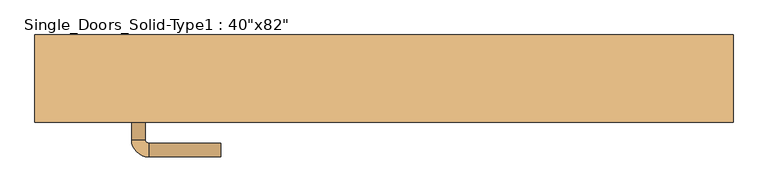
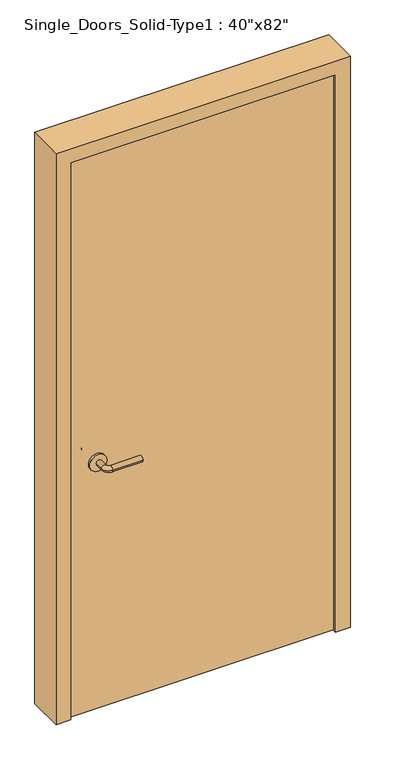
"""IFC4 building model written with IfcOpenShell, lengths in millimetres: door geometry."""

import ifcopenshell
import ifcopenshell.guid

model = None  # the IFC model being written
_history = None  # IfcOwnerHistory: only IFC2X3 demands one
_inside = {}  # id of a spatial element -> (the spatial element, [elements in it])
_under = {}  # id of a project, library or spatial element -> (it, [spatial elements below it])
_declared = {}  # id of a project -> (the project, [libraries it declares])
_typed = {}  # id of a type object -> (the type object, [elements of that type])
_made_of = {}  # id of a material, layer set ... -> (it, [elements and type objects made of it])


def new_model(schema):
    """Start an empty IFC model of exactly this schema.

    Asked for "IFC4X3", IfcOpenShell would pick the latest addendum, in which some entities
    have other attributes; the version numbers below select the first issue.
    IFC2X3 requires an IfcOwnerHistory on every rooted entity: one is made here for all.
    """
    global model, _history
    if schema == "IFC4X3":
        model = ifcopenshell.file(schema_version=(4, 3, 0, 0))
    else:
        model = ifcopenshell.file(schema=schema)
    _inside.clear()
    _under.clear()
    _declared.clear()
    _typed.clear()
    _made_of.clear()
    _history = None
    if model.schema == "IFC2X3":
        org = make("IfcOrganization", Name="unknown")
        user = make(
            "IfcPersonAndOrganization",
            ThePerson=make("IfcPerson", FamilyName="unknown"),
            TheOrganization=org,
        )
        app = make(
            "IfcApplication",
            ApplicationDeveloper=org,
            Version="unknown",
            ApplicationFullName="unknown",
            ApplicationIdentifier="unknown",
        )
        _history = make(
            "IfcOwnerHistory",
            OwningUser=user,
            OwningApplication=app,
            ChangeAction="ADDED",
            CreationDate=0,
        )
    return model


def make(cls, **values):
    """One entity of the class cls with the attributes given. An attribute that is None is left unset."""
    return model.create_entity(
        cls, **{name: value for name, value in values.items() if value is not None}
    )


def rooted(cls, **values):
    """An entity with a GlobalId (a new one), such as an element, a storey or a relation."""
    return make(cls, GlobalId=ifcopenshell.guid.new(), OwnerHistory=_history, **values)


def si_unit(unit_type, name, prefix=None):
    """IfcSIUnit, for example si_unit("LENGTHUNIT", "METRE", prefix="MILLI")."""
    return make("IfcSIUnit", UnitType=unit_type, Prefix=prefix, Name=name)


def assignment(units):
    """IfcUnitAssignment: the units of a project."""
    return None if units is None else make("IfcUnitAssignment", Units=units)


def point(xyz):
    """IfcCartesianPoint."""
    return None if xyz is None else make("IfcCartesianPoint", Coordinates=xyz)


def direction(xyz):
    """IfcDirection."""
    return None if xyz is None else make("IfcDirection", DirectionRatios=xyz)


def frame(location, z_axis=None, x_axis=None):
    """IfcAxis2Placement3D, a coordinate frame: its origin and axes. An axis left out is left unset."""
    return make(
        "IfcAxis2Placement3D",
        Location=point(location),
        Axis=direction(z_axis),
        RefDirection=direction(x_axis),
    )


def frame_2d(location, x_axis=None):
    """IfcAxis2Placement2D, a coordinate frame in the plane: its origin and x axis."""
    return make(
        "IfcAxis2Placement2D", Location=point(location), RefDirection=direction(x_axis)
    )


def origin():
    """The frame at (0, 0, 0) with its axes left unset."""
    return frame((0.0, 0.0, 0.0))


def origin_with_axes():
    """The frame at (0, 0, 0) with the z axis (0, 0, 1) and the x axis (1, 0, 0) written out."""
    return frame((0.0, 0.0, 0.0), z_axis=(0.0, 0.0, 1.0), x_axis=(1.0, 0.0, 0.0))


def place(relative_to, where):
    """IfcLocalPlacement: puts the frame where relative to a parent placement (None: the world)."""
    return make(
        "IfcLocalPlacement", PlacementRelTo=relative_to, RelativePlacement=where
    )


def context(
    kind, dimensions, precision=None, world=None, true_north=None, identifier=None
):
    """IfcGeometricRepresentationContext, for example the 3D "Model" context."""
    return make(
        "IfcGeometricRepresentationContext",
        ContextIdentifier=identifier,
        ContextType=kind,
        CoordinateSpaceDimension=dimensions,
        Precision=precision,
        WorldCoordinateSystem=world,
        TrueNorth=true_north,
    )


def project(units=None, contexts=None):
    """IfcProject with its units and contexts."""
    return rooted(
        "IfcProject",
        Name="project",
        RepresentationContexts=contexts,
        UnitsInContext=assignment(units),
    )


def spatial(cls, under=None, at=None, **own):
    """A site, building, storey or space (cls), placed at a placement, below another one or the project."""
    s = rooted(cls, ObjectPlacement=at, **own)
    if under is not None:
        _under.setdefault(under.id(), (under, []))[1].append(s)
    return s


def polyline(points):
    """IfcPolyline through the points."""
    return make("IfcPolyline", Points=[point(p) for p in points])


def circle_curve(where, radius):
    """IfcCircle in the frame where."""
    return make("IfcCircle", Position=where, Radius=radius)


def ellipse_curve(where, semi_axis1, semi_axis2):
    """IfcEllipse in the frame where."""
    return make(
        "IfcEllipse", Position=where, SemiAxis1=semi_axis1, SemiAxis2=semi_axis2
    )


def trimmed(basis, trim1, trim2, sense, master):
    """IfcTrimmedCurve: the piece of a basis curve between two trims."""
    return make(
        "IfcTrimmedCurve",
        BasisCurve=basis,
        Trim1=trim1,
        Trim2=trim2,
        SenseAgreement=sense,
        MasterRepresentation=master,
    )


def segment(curve, same_sense, transition):
    """IfcCompositeCurveSegment."""
    return make(
        "IfcCompositeCurveSegment",
        Transition=transition,
        SameSense=same_sense,
        ParentCurve=curve,
    )


def composite_curve(segments, self_intersect=None):
    """IfcCompositeCurve: segments joined end to end."""
    return make("IfcCompositeCurve", Segments=segments, SelfIntersect=self_intersect)


def outline(outer, holes=None, kind="AREA"):
    """IfcArbitraryClosedProfileDef: a profile drawn as a closed curve; with holes, ...WithVoids."""
    if holes is None:
        return make("IfcArbitraryClosedProfileDef", ProfileType=kind, OuterCurve=outer)
    return make(
        "IfcArbitraryProfileDefWithVoids",
        ProfileType=kind,
        OuterCurve=outer,
        InnerCurves=holes,
    )


def extrude(swept, where, along, depth):
    """IfcExtrudedAreaSolid: the profile swept, set in the frame where, extruded along a direction by depth."""
    return make(
        "IfcExtrudedAreaSolid",
        SweptArea=swept,
        Position=where,
        ExtrudedDirection=direction(along),
        Depth=depth,
    )


def faces_of(points, faces, orient=None, outer=None):
    """IfcFace entities. A face is a list of loops; a loop is a list of indices into points, from 0.

    orient and outer hold one flag for each loop. By default every Orientation is true, the
    first loop of a face is its IfcFaceOuterBound and the others are IfcFaceBound.
    """
    made = []
    for i, loops in enumerate(faces):
        bounds = []
        for j, loop in enumerate(loops):
            is_outer = j == 0 if outer is None else outer[i][j]
            bounds.append(
                make(
                    "IfcFaceOuterBound" if is_outer else "IfcFaceBound",
                    Bound=make("IfcPolyLoop", Polygon=[points[k] for k in loop]),
                    Orientation=True if orient is None else orient[i][j],
                )
            )
        made.append(make("IfcFace", Bounds=bounds))
    return made


def faceted_brep(points, faces, orient=None, outer=None, voids=None):
    """IfcFacetedBrep: a solid bounded by flat faces; with voids (closed shells), ...WithVoids."""
    shared = [point(p) for p in points]
    hull = make("IfcClosedShell", CfsFaces=faces_of(shared, faces, orient, outer))
    if voids is None:
        return make("IfcFacetedBrep", Outer=hull)
    return make(
        "IfcFacetedBrepWithVoids",
        Outer=hull,
        Voids=[
            make(cls, CfsFaces=faces_of(shared, fs, o, b)) for cls, fs, o, b in voids
        ],
    )


def shape(context_of_items, identifier, shape_type, items):
    """IfcShapeRepresentation: the items that make up one representation, for example the "Body"."""
    return make(
        "IfcShapeRepresentation",
        ContextOfItems=context_of_items,
        RepresentationIdentifier=identifier,
        RepresentationType=shape_type,
        Items=items,
    )


def source(mapping_origin, context_of_items, identifier, shape_type, items):
    """IfcRepresentationMap: a shape defined once, which mapped items show again and again."""
    return make(
        "IfcRepresentationMap",
        MappingOrigin=mapping_origin,
        MappedRepresentation=shape(context_of_items, identifier, shape_type, items),
    )


def transform(
    local_origin,
    x_axis=None,
    y_axis=None,
    z_axis=None,
    scale=None,
    scale2=None,
    scale3=None,
    uniform=True,
):
    """IfcCartesianTransformationOperator3D, or its non-uniform kind. x_axis, y_axis, z_axis: its Axis1, 2, 3."""
    if uniform:
        return make(
            "IfcCartesianTransformationOperator3D",
            Axis1=direction(x_axis),
            Axis2=direction(y_axis),
            LocalOrigin=point(local_origin),
            Scale=scale,
            Axis3=direction(z_axis),
        )
    return make(
        "IfcCartesianTransformationOperator3DnonUniform",
        Axis1=direction(x_axis),
        Axis2=direction(y_axis),
        LocalOrigin=point(local_origin),
        Scale=scale,
        Axis3=direction(z_axis),
        Scale2=scale2,
        Scale3=scale3,
    )


def mapped(mapping_source, mapping_target):
    """IfcMappedItem: shows the shape of a source again, moved by a transform."""
    return make(
        "IfcMappedItem", MappingSource=mapping_source, MappingTarget=mapping_target
    )


def made_of(thing, what):
    """Note that an element or type object is made of a material, layer set ...; save() writes the relation."""
    if what is not None:
        _made_of.setdefault(what.id(), (what, []))[1].append(thing)
    return thing


def element(
    cls,
    number,
    at=None,
    inside=None,
    cuts=None,
    type_object=None,
    material=None,
    context=None,
    identifier="Body",
    shape_type=None,
    held_by="IfcProductDefinitionShape",
    body=None,
    shapes=None,
    **own,
):
    """One element of the class cls, such as IfcWall. Its Tag is "e" and its number.

    at: its placement. inside: the storey or other place that contains it. cuts: it is an
    opening in that element (IfcRelVoidsElement). A single representation is given by context,
    identifier, shape_type and body (its items); several are given by shapes. held_by: the class
    of the entity that holds the representations. save() writes the other relations.
    """
    e = rooted(cls, Tag="e%d" % number, ObjectPlacement=at, **own)
    if body is not None:
        shapes = [shape(context, identifier, shape_type, body)]
    if shapes is not None:
        e.Representation = make(held_by, Representations=shapes)
    if inside is not None:
        _inside.setdefault(inside.id(), (inside, []))[1].append(e)
    if cuts is not None:
        rooted(
            "IfcRelVoidsElement", RelatingBuildingElement=cuts, RelatedOpeningElement=e
        )
    if type_object is not None:
        _typed.setdefault(type_object.id(), (type_object, []))[1].append(e)
    return made_of(e, material)


def aggregate(whole, parts):
    """IfcRelAggregates: a whole, such as a stair, and the parts it consists of."""
    return rooted("IfcRelAggregates", RelatingObject=whole, RelatedObjects=parts)


def save(model, path):
    """Write the relations noted so far, then the file.

    IfcRelAggregates (storeys below a building ...), IfcRelContainedInSpatialStructure (elements
    in a storey), IfcRelDefinesByType, IfcRelAssociatesMaterial and IfcRelDeclares: one each for
    every whole, place, type object, material and project.
    """
    for whole, parts in _under.values():
        aggregate(whole, parts)
    for where, things in _inside.values():
        rooted(
            "IfcRelContainedInSpatialStructure",
            RelatedElements=things,
            RelatingStructure=where,
        )
    for kind, things in _typed.values():
        rooted("IfcRelDefinesByType", RelatedObjects=things, RelatingType=kind)
    for what, things in _made_of.values():
        rooted("IfcRelAssociatesMaterial", RelatedObjects=things, RelatingMaterial=what)
    for by, libraries in _declared.values():
        rooted("IfcRelDeclares", RelatingContext=by, RelatedDefinitions=libraries)
    model.write(path)


def plane_surface(at):
    """IfcPlane: the flat surface through the origin of the frame at, square to its z axis."""
    return make("IfcPlane", Position=at)


def cylinder_surface(at, radius):
    """IfcCylindricalSurface: all points at the distance radius from the z axis of the frame at."""
    return make("IfcCylindricalSurface", Position=at, Radius=radius)


def revolved_surface(curve, axis_point, axis_direction):
    """IfcSurfaceOfRevolution: the curve turned about the line through axis_point along axis_direction."""
    return make(
        "IfcSurfaceOfRevolution",
        SweptCurve=make("IfcArbitraryOpenProfileDef", ProfileType="CURVE", Curve=curve),
        AxisPosition=make("IfcAxis1Placement", Location=point(axis_point), Axis=direction(axis_direction)),
    )


def advanced_brep(points, edges, surfaces, faces):
    """IfcAdvancedBrep: a solid bounded by faces that lie on surfaces and meet in shared edges.

    An edge is (start, end): straight between two places in points (the first is 0);
    or (start, end, curve); or (start, end, curve, False) where it runs against its curve.
    A face is (place in surfaces, loops), or (place, loops, False) where it looks against
    its surface's normal. A loop lists edges by number (the first is 1), with a minus sign
    where the edge is run from its end to its start. The first loop is the outer one.
    """
    corners = [point(p) for p in points]
    vertices = [make("IfcVertexPoint", VertexGeometry=c) for c in corners]
    made = []
    for start, end, *more in edges:
        made.append(
            make(
                "IfcEdgeCurve",
                EdgeStart=vertices[start],
                EdgeEnd=vertices[end],
                EdgeGeometry=more[0] if more else make("IfcPolyline", Points=[corners[start], corners[end]]),
                SameSense=more[1] if len(more) > 1 else True,
            )
        )
    hull = []
    for where, loops, *sense in faces:
        bounds = []
        for j, loop in enumerate(loops):
            ring = [make("IfcOrientedEdge", EdgeElement=made[abs(k) - 1], Orientation=k > 0) for k in loop]
            bounds.append(
                make(
                    "IfcFaceOuterBound" if j == 0 else "IfcFaceBound",
                    Bound=make("IfcEdgeLoop", EdgeList=ring),
                    Orientation=True,
                )
            )
        hull.append(make("IfcAdvancedFace", Bounds=bounds, FaceSurface=surfaces[where], SameSense=sense[0] if sense else True))
    return make("IfcAdvancedBrep", Outer=make("IfcClosedShell", CfsFaces=hull))


def door_0631ee53(model_context):
    return source(origin(), model_context, "Body", "SolidModel", [
        advanced_brep(
        [(-367.2, -4.7, 900.0), (-347.2, -4.7, 900.0), (-367.2, 25.3, 900.0), (-347.2, 25.3, 900.0), (-342.2, 30.3, 900.0), (-342.2, 50.3, 900.0), (-237.2, 50.3, 900.0), (-237.2, 30.3, 900.0)],
        [
            (0, 1, circle_curve(frame((-357.2, -4.7, 900.0), z_axis=(0.0, -1.0, 0.0), x_axis=(1.0, 0.0, 0.0)), 10.0)),
            (1, 0, circle_curve(frame((-357.2, -4.7, 900.0), z_axis=(0.0, -1.0, 0.0), x_axis=(1.0, 0.0, 0.0)), 10.0)),
            (0, 2),
            (2, 3, circle_curve(frame((-357.2, 25.3, 900.0), z_axis=(0.0, -1.0, 0.0), x_axis=(1.0, 0.0, 0.0)), 10.0)),
            (3, 1),
            (3, 2, circle_curve(frame((-357.2, 25.3, 900.0), z_axis=(0.0, -1.0, 0.0), x_axis=(1.0, 0.0, 0.0)), 10.0)),
            (4, 3, circle_curve(frame((-342.2, 25.3, 900.0), z_axis=(0.0, 0.0, 1.0), x_axis=(-1.0, 0.0, 0.0)), 5.0)),
            (2, 5, circle_curve(frame((-342.2, 25.3, 900.0), z_axis=(0.0, 0.0, -1.0), x_axis=(-1.0, 0.0, 0.0)), 25.0)),
            (5, 4, circle_curve(frame((-342.2, 40.3, 900.0), z_axis=(-1.0, 0.0, 0.0), x_axis=(0.0, -1.0, 0.0)), 10.0)),
            (4, 5, circle_curve(frame((-342.2, 40.3, 900.0), z_axis=(-1.0, 0.0, 0.0), x_axis=(0.0, -1.0, 0.0)), 10.0)),
            (6, 7, circle_curve(frame((-237.2, 40.3, 900.0), z_axis=(1.0, 0.0, 0.0), x_axis=(0.0, -1.0, 0.0)), 10.0)),
            (7, 6, circle_curve(frame((-237.2, 40.3, 900.0), z_axis=(1.0, 0.0, 0.0), x_axis=(0.0, -1.0, 0.0)), 10.0)),
            (5, 6),
            (7, 4),
        ],
        [
            plane_surface(frame((-357.2, -4.7, 900.0), z_axis=(0.0, -1.0, 0.0), x_axis=(0.0, 0.0, 1.0))),
            cylinder_surface(frame((-357.2, -4.7, 900.0), z_axis=(0.0, -1.0, 0.0), x_axis=(1.0, 0.0, 0.0)), 10.0),
            revolved_surface(trimmed(ellipse_curve(frame((-357.2, 25.3, 900.0), z_axis=(0.0, -1.0, 0.0), x_axis=(1.0, 0.0, 0.0)), 10.0, 10.0), [point((-367.2, 25.3, 900.0))], [point((-347.2, 25.3, 900.0))], True, "CARTESIAN"), (-342.2, 25.3, 900.0), (0.0, 0.0, -1.0)),
            revolved_surface(trimmed(ellipse_curve(frame((-357.2, 25.3, 900.0), z_axis=(0.0, -1.0, 0.0), x_axis=(1.0, 0.0, 0.0)), 10.0, 10.0), [point((-347.2, 25.3, 900.0))], [point((-367.2, 25.3, 900.0))], True, "CARTESIAN"), (-342.2, 25.3, 900.0), (0.0, 0.0, -1.0)),
            plane_surface(frame((-237.2, 40.3, 900.0), z_axis=(1.0, 0.0, 0.0), x_axis=(0.0, 0.0, 1.0))),
            cylinder_surface(frame((-342.2, 40.3, 900.0), z_axis=(-1.0, 0.0, 0.0), x_axis=(0.0, -1.0, 0.0)), 10.0),
        ],
        [
            (0, [[1, 2]]),
            (1, [[-1, 3, 4, 5]]),
            (1, [[-2, -5, 6, -3]]),
            (2, [[7, -4, 8, 9]]),
            (3, [[-8, -6, -7, 10]]),
            (4, [[11, 12]]),
            (5, [[-9, 13, -12, 14]]),
            (5, [[-10, -14, -11, -13]]),
        ],
    ),
        extrude(outline(composite_curve([segment(trimmed(circle_curve(frame_2d((900.0, -359.7)), 30.0), [point((900.0, -389.7))], [point((900.0, -329.7))], False, "CARTESIAN"), True, "CONTINUOUS"), segment(trimmed(circle_curve(frame_2d((900.0, -359.7)), 30.0), [point((900.0, -329.7))], [point((900.0, -389.7))], False, "CARTESIAN"), True, "CONTINUOUS")], self_intersect=False)), frame((0.0, -12.7, 0.0), z_axis=(0.0, 1.0, 0.0), x_axis=(0.0, 0.0, 1.0)), (0.0, 0.0, 1.0), 8.0),
        advanced_brep(
        [(-367.2, -58.8, 900.0), (-347.2, -58.8, 900.0), (-347.2, -88.8, 900.0), (-367.2, -88.8, 900.0), (-342.2, -93.8, 900.0), (-342.2, -113.8, 900.0), (-237.2, -113.8, 900.0), (-237.2, -93.8, 900.0)],
        [
            (0, 1, circle_curve(frame((-357.2, -58.8, 900.0), z_axis=(0.0, 1.0, 0.0), x_axis=(1.0, 0.0, 0.0)), 10.0)),
            (1, 0, circle_curve(frame((-357.2, -58.8, 900.0), z_axis=(0.0, 1.0, 0.0), x_axis=(1.0, 0.0, 0.0)), 10.0)),
            (1, 2),
            (2, 3, circle_curve(frame((-357.2, -88.8, 900.0), z_axis=(0.0, 1.0, 0.0), x_axis=(1.0, 0.0, 0.0)), 10.0)),
            (3, 0),
            (3, 2, circle_curve(frame((-357.2, -88.8, 900.0), z_axis=(0.0, 1.0, 0.0), x_axis=(1.0, 0.0, 0.0)), 10.0)),
            (4, 5, circle_curve(frame((-342.2, -103.8, 900.0), z_axis=(-1.0, 0.0, 0.0), x_axis=(0.0, 1.0, 0.0)), 10.0)),
            (5, 3, circle_curve(frame((-342.2, -88.8, 900.0), z_axis=(0.0, 0.0, -1.0), x_axis=(-1.0, 0.0, 0.0)), 25.0)),
            (2, 4, circle_curve(frame((-342.2, -88.8, 900.0), z_axis=(0.0, 0.0, 1.0), x_axis=(-1.0, 0.0, 0.0)), 5.0)),
            (5, 4, circle_curve(frame((-342.2, -103.8, 900.0), z_axis=(-1.0, 0.0, 0.0), x_axis=(0.0, 1.0, 0.0)), 10.0)),
            (6, 7, circle_curve(frame((-237.2, -103.8, 900.0), z_axis=(1.0, 0.0, 0.0), x_axis=(0.0, 1.0, 0.0)), 10.0)),
            (7, 6, circle_curve(frame((-237.2, -103.8, 900.0), z_axis=(1.0, 0.0, 0.0), x_axis=(0.0, 1.0, 0.0)), 10.0)),
            (4, 7),
            (6, 5),
        ],
        [
            plane_surface(frame((-357.2, -58.8, 900.0), z_axis=(0.0, 1.0, 0.0), x_axis=(0.0, 0.0, 1.0))),
            cylinder_surface(frame((-357.2, -58.8, 900.0), z_axis=(0.0, 1.0, 0.0), x_axis=(1.0, 0.0, 0.0)), 10.0),
            revolved_surface(trimmed(ellipse_curve(frame((-357.2, -88.8, 900.0), z_axis=(0.0, -1.0, 0.0), x_axis=(1.0, 0.0, 0.0)), 10.0, 10.0), [point((-367.2, -88.8, 900.0))], [point((-347.2, -88.8, 900.0))], True, "CARTESIAN"), (-342.2, -88.8, 900.0), (0.0, 0.0, -1.0)),
            revolved_surface(trimmed(ellipse_curve(frame((-357.2, -88.8, 900.0), z_axis=(0.0, -1.0, 0.0), x_axis=(1.0, 0.0, 0.0)), 10.0, 10.0), [point((-347.2, -88.8, 900.0))], [point((-367.2, -88.8, 900.0))], True, "CARTESIAN"), (-342.2, -88.8, 900.0), (0.0, 0.0, -1.0)),
            plane_surface(frame((-237.2, -103.8, 900.0), z_axis=(1.0, 0.0, 0.0), x_axis=(0.0, 0.0, 1.0))),
            cylinder_surface(frame((-342.2, -103.8, 900.0), z_axis=(-1.0, 0.0, 0.0), x_axis=(0.0, 1.0, 0.0)), 10.0),
        ],
        [
            (0, [[1, 2]]),
            (1, [[3, 4, 5, -2]]),
            (1, [[-5, 6, -3, -1]]),
            (2, [[7, 8, -4, 9]]),
            (3, [[10, -9, -6, -8]]),
            (4, [[11, 12]]),
            (5, [[13, -11, 14, -7]]),
            (5, [[-14, -12, -13, -10]]),
        ],
    ),
        extrude(outline(composite_curve([segment(trimmed(circle_curve(frame_2d((900.0, -359.7)), 30.0), [point((900.0, -389.7))], [point((900.0, -329.7))], False, "CARTESIAN"), True, "CONTINUOUS"), segment(trimmed(circle_curve(frame_2d((900.0, -359.7)), 30.0), [point((900.0, -329.7))], [point((900.0, -389.7))], False, "CARTESIAN"), True, "CONTINUOUS")], self_intersect=False)), frame((0.0, -58.8, 0.0), z_axis=(0.0, 1.0, 0.0), x_axis=(0.0, 0.0, 1.0)), (0.0, 0.0, 1.0), 8.0),
        faceted_brep([(-508.0, 63.5, 0.0), (-457.2, 63.5, 0.0), (-457.2, 38.1, 0.0), (-444.5, 38.1, 0.0), (-444.5, -12.7, 0.0), (-457.2, -12.7, 0.0), (-457.2, -63.5, 0.0), (-508.0, -63.5, 0.0), (-508.0, -63.5, 2082.8), (-508.0, 63.5, 2082.8), (-457.2, -63.5, 2032.0), (457.2, -63.5, 2032.0), (457.2, -63.5, 0.0), (508.0, -63.5, 0.0), (508.0, -63.5, 2082.8), (-457.2, -12.7, 2032.0), (-444.5, -12.7, 2019.3), (444.5, -12.7, 2019.3), (444.5, -12.7, 0.0), (457.2, -12.7, 0.0), (457.2, -12.7, 2032.0), (-444.5, 38.1, 2019.3), (-457.2, 38.1, 2032.0), (457.2, 38.1, 2032.0), (457.2, 38.1, 0.0), (444.5, 38.1, 0.0), (444.5, 38.1, 2019.3), (-457.2, 63.5, 2032.0), (508.0, 63.5, 2082.8), (508.0, 63.5, 0.0), (457.2, 63.5, 0.0), (457.2, 63.5, 2032.0)], [[[0, 1, 2, 3, 4, 5, 6, 7]], [[7, 8, 9, 0]], [[6, 10, 11, 12, 13, 14, 8, 7]], [[5, 15, 10, 6]], [[4, 16, 17, 18, 19, 20, 15, 5]], [[3, 21, 16, 4]], [[2, 22, 23, 24, 25, 26, 21, 3]], [[1, 27, 22, 2]], [[0, 9, 28, 29, 30, 31, 27, 1]], [[14, 13, 29, 28]], [[29, 13, 12, 19, 18, 25, 24, 30]], [[20, 19, 12, 11]], [[26, 25, 18, 17]], [[31, 30, 24, 23]], [[8, 14, 28, 9]], [[15, 20, 11, 10]], [[21, 26, 17, 16]], [[27, 31, 23, 22]]]),
        extrude(outline(polyline([(457.2, -12.7), (457.2, -50.8), (-457.2, -50.8), (-457.2, -12.7), (457.2, -12.7)])), origin_with_axes(), (0.0, 0.0, 1.0), 2032.0),
    ])


if __name__ == "__main__":
    model = new_model("IFC4")
    model_context = context("Model", 3, world=origin())
    ifc_project = project(units=[si_unit("LENGTHUNIT", "METRE", prefix="MILLI")], contexts=[model_context])
    site = spatial("IfcSite", under=ifc_project)
    building = spatial("IfcBuilding", under=site)
    placement = place(None, origin())
    door_shape = door_0631ee53(model_context)
    element("IfcDoor", 1, ObjectType="Single_Doors_Solid-Type1 : 40\"x82\"", at=placement, inside=building, context=model_context, shape_type="MappedRepresentation", body=[
        mapped(door_shape, transform((0.0, 0.0, 0.0), x_axis=(1.0, 0.0, 0.0), y_axis=(0.0, 1.0, 0.0), z_axis=(0.0, 0.0, 1.0))),
    ])
    save(model, "model.ifc")
